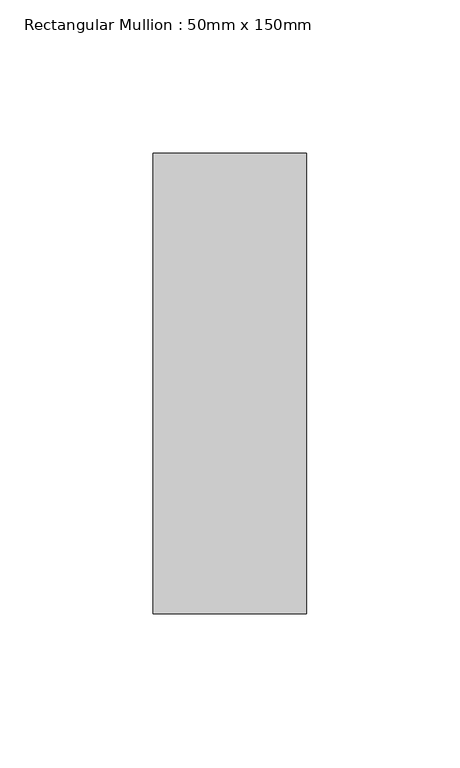
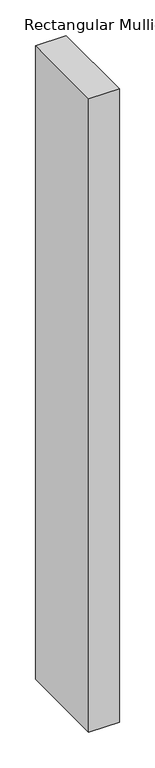
"""IFC4 building model written with IfcOpenShell, lengths in millimetres: member geometry, Rectangular Mullion : 50mm x 150mm."""

from ifc_helpers import new_model, si_unit, frame, origin, place, context, project, spatial, polyline, outline, extrude, source, transform, mapped, element, save


def rectangular_mullion_50mm_x_150mm_3064c14e(model_context):
    return source(origin(), model_context, "Body", "SweptSolid", [
        extrude(outline(polyline([(0.0, 75.0), (0.0, -75.0), (-50.0, -75.0), (-50.0, 75.0), (0.0, 75.0)])), frame((0.0, 0.0, -1087.4999999), z_axis=(0.0, 0.0, 1.0), x_axis=(1.0, 0.0, 0.0)), (0.0, 0.0, 1.0), 1087.4999999),
    ])


if __name__ == "__main__":
    model = new_model("IFC4")
    model_context = context("Model", 3, world=origin())
    ifc_project = project(units=[si_unit("LENGTHUNIT", "METRE", prefix="MILLI")], contexts=[model_context])
    site = spatial("IfcSite", under=ifc_project)
    building = spatial("IfcBuilding", under=site)
    placement = place(None, origin())
    rectangular_mullion_50mm_x_150mm_shape = rectangular_mullion_50mm_x_150mm_3064c14e(model_context)
    element("IfcMember", 1, ObjectType="Rectangular Mullion : 50mm x 150mm", at=placement, inside=building, context=model_context, shape_type="MappedRepresentation", body=[
        mapped(rectangular_mullion_50mm_x_150mm_shape, transform((0.0, 0.0, 0.0), x_axis=(1.0, 0.0, 0.0), y_axis=(0.0, 1.0, 0.0), z_axis=(0.0, 0.0, 1.0))),
    ])
    save(model, "model.ifc")
